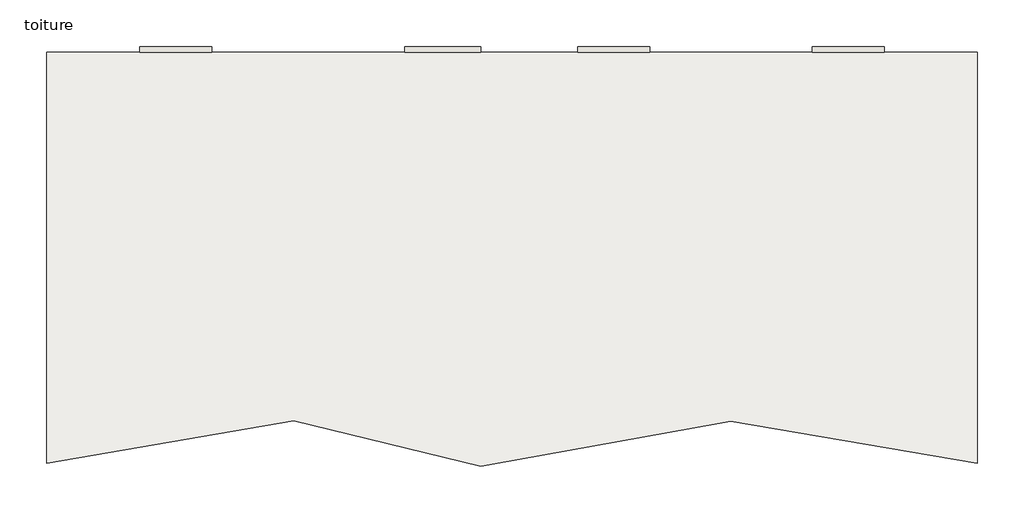
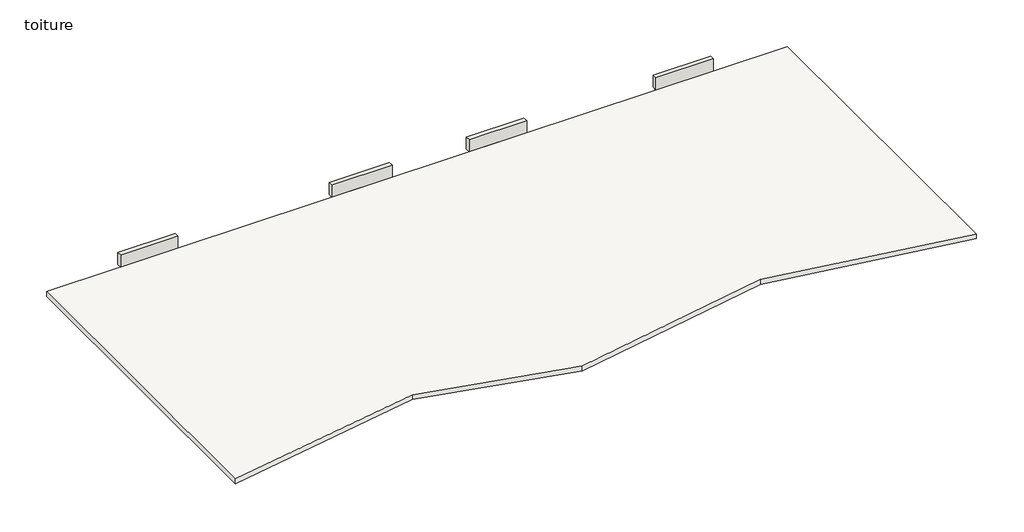
# One storey: 4 walls, 1 slab.
"""IFC4 building model written with IfcOpenShell, lengths in millimetres."""

from ifc_helpers import new_model, si_unit, frame, origin, place, context, project, spatial, polyline, outline, extrude, faceted_brep, element, save

model = new_model("IFC4")

# Units and contexts
model_context = context("Model", 3, world=origin())
ifc_project = project(units=[si_unit("LENGTHUNIT", "METRE", prefix="MILLI")], contexts=[model_context])

# Site, building, storey
site = spatial("IfcSite", under=ifc_project)
building = spatial("IfcBuilding", under=site)
storey = spatial("IfcBuildingStorey", under=building, Name="toiture", Elevation=17620.0)

# Slab
placement = place(None, origin())
element("IfcSlab", 1, ObjectType="Generic 220mm", at=placement, inside=storey, context=model_context, shape_type="SweptSolid", body=[
    extrude(outline(polyline([(14217.1903209, 18647.190715), (14217.1903209, 4419.8377429), (5666.7112405, 5878.1723658), (-2979.8709257, 4319.3326449), (-9469.3905706, 5879.217182), (-18022.8096791, 4420.686178), (-18022.8096791, 18647.190715), (14217.1903209, 18647.190715)])), frame((0.0, 0.0, 17400.0), z_axis=(0.0, 0.0, 1.0), x_axis=(1.0, 0.0, 0.0)), (0.0, 0.0, 1.0), 220.0),
])

# Walls
element("IfcWall", 2, ObjectType="Generic - 200mm", at=placement, inside=storey, context=model_context, shape_type="SweptSolid", body=[
    extrude(outline(polyline([(-12302.8096791, 18647.190715), (-14802.8096791, 18647.190715), (-14802.8096791, 18847.190715), (-12302.8096791, 18847.190715), (-12302.8096791, 18647.190715)])), frame((0.0, 0.0, 17620.0), z_axis=(0.0, 0.0, 1.0), x_axis=(1.0, 0.0, 0.0)), (0.0, 0.0, 1.0), 560.0),
])
element("IfcWall", 3, ObjectType="Generic - 200mm", at=placement, inside=storey, context=model_context, shape_type="Brep", body=[
    faceted_brep([(-5612.8096791, 18647.190715, 17620.0), (-3112.8096791, 18647.190715, 17620.0), (-2982.8096791, 18647.190715, 17620.0), (-2982.8096791, 18647.190715, 18180.0), (-5612.8096791, 18647.190715, 18180.0), (-5612.8096791, 18847.190715, 17620.0), (-5612.8096791, 18847.190715, 18180.0), (-2982.8096791, 18847.190715, 18180.0), (-2982.8096791, 18847.190715, 17620.0), (-3112.8096791, 18847.190715, 17620.0)], [[[0, 1, 2, 3, 4]], [[5, 6, 7, 8, 9]], [[2, 1, 0, 5, 9, 8]], [[3, 2, 8, 7]], [[4, 3, 7, 6]], [[0, 4, 6, 5]]]),
])
element("IfcWall", 4, ObjectType="Generic - 200mm", at=placement, inside=storey, context=model_context, shape_type="SweptSolid", body=[
    extrude(outline(polyline([(2867.1903209, 18647.190715), (367.1903209, 18647.190715), (367.1903209, 18847.190715), (2867.1903209, 18847.190715), (2867.1903209, 18647.190715)])), frame((0.0, 0.0, 17620.0), z_axis=(0.0, 0.0, 1.0), x_axis=(1.0, 0.0, 0.0)), (0.0, 0.0, 1.0), 560.0),
])
element("IfcWall", 5, ObjectType="Generic - 200mm", at=placement, inside=storey, context=model_context, shape_type="SweptSolid", body=[
    extrude(outline(polyline([(8497.1903209, 18847.190715), (10997.1903209, 18847.190715), (10997.1903209, 18647.190715), (8497.1903209, 18647.190715), (8497.1903209, 18847.190715)])), frame((0.0, 0.0, 17620.0), z_axis=(0.0, 0.0, 1.0), x_axis=(1.0, 0.0, 0.0)), (0.0, 0.0, 1.0), 560.0),
])

save(model, "model.ifc")
